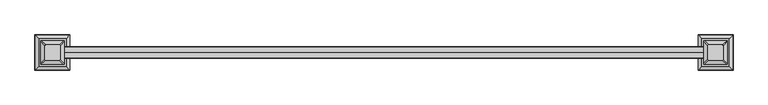
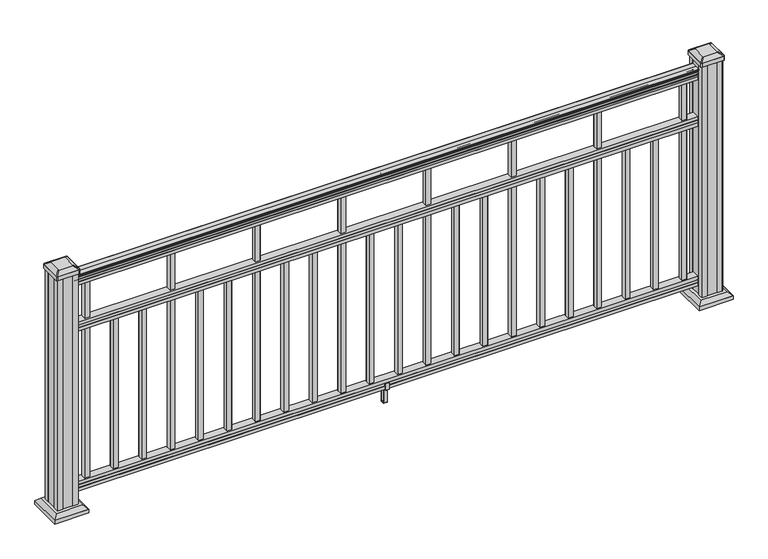
"""IFC4 building model written with IfcOpenShell, lengths in millimetres: railing geometry."""

import ifcopenshell
import ifcopenshell.guid

model = None  # the IFC model being written
_history = None  # IfcOwnerHistory: only IFC2X3 demands one
_inside = {}  # id of a spatial element -> (the spatial element, [elements in it])
_under = {}  # id of a project, library or spatial element -> (it, [spatial elements below it])
_declared = {}  # id of a project -> (the project, [libraries it declares])
_typed = {}  # id of a type object -> (the type object, [elements of that type])
_made_of = {}  # id of a material, layer set ... -> (it, [elements and type objects made of it])


def new_model(schema):
    """Start an empty IFC model of exactly this schema.

    Asked for "IFC4X3", IfcOpenShell would pick the latest addendum, in which some entities
    have other attributes; the version numbers below select the first issue.
    IFC2X3 requires an IfcOwnerHistory on every rooted entity: one is made here for all.
    """
    global model, _history
    if schema == "IFC4X3":
        model = ifcopenshell.file(schema_version=(4, 3, 0, 0))
    else:
        model = ifcopenshell.file(schema=schema)
    _inside.clear()
    _under.clear()
    _declared.clear()
    _typed.clear()
    _made_of.clear()
    _history = None
    if model.schema == "IFC2X3":
        org = make("IfcOrganization", Name="unknown")
        user = make(
            "IfcPersonAndOrganization",
            ThePerson=make("IfcPerson", FamilyName="unknown"),
            TheOrganization=org,
        )
        app = make(
            "IfcApplication",
            ApplicationDeveloper=org,
            Version="unknown",
            ApplicationFullName="unknown",
            ApplicationIdentifier="unknown",
        )
        _history = make(
            "IfcOwnerHistory",
            OwningUser=user,
            OwningApplication=app,
            ChangeAction="ADDED",
            CreationDate=0,
        )
    return model


def make(cls, **values):
    """One entity of the class cls with the attributes given. An attribute that is None is left unset."""
    return model.create_entity(
        cls, **{name: value for name, value in values.items() if value is not None}
    )


def rooted(cls, **values):
    """An entity with a GlobalId (a new one), such as an element, a storey or a relation."""
    return make(cls, GlobalId=ifcopenshell.guid.new(), OwnerHistory=_history, **values)


def si_unit(unit_type, name, prefix=None):
    """IfcSIUnit, for example si_unit("LENGTHUNIT", "METRE", prefix="MILLI")."""
    return make("IfcSIUnit", UnitType=unit_type, Prefix=prefix, Name=name)


def assignment(units):
    """IfcUnitAssignment: the units of a project."""
    return None if units is None else make("IfcUnitAssignment", Units=units)


def point(xyz):
    """IfcCartesianPoint."""
    return None if xyz is None else make("IfcCartesianPoint", Coordinates=xyz)


def direction(xyz):
    """IfcDirection."""
    return None if xyz is None else make("IfcDirection", DirectionRatios=xyz)


def frame(location, z_axis=None, x_axis=None):
    """IfcAxis2Placement3D, a coordinate frame: its origin and axes. An axis left out is left unset."""
    return make(
        "IfcAxis2Placement3D",
        Location=point(location),
        Axis=direction(z_axis),
        RefDirection=direction(x_axis),
    )


def frame_2d(location, x_axis=None):
    """IfcAxis2Placement2D, a coordinate frame in the plane: its origin and x axis."""
    return make(
        "IfcAxis2Placement2D", Location=point(location), RefDirection=direction(x_axis)
    )


def origin():
    """The frame at (0, 0, 0) with its axes left unset."""
    return frame((0.0, 0.0, 0.0))


def origin_with_axes():
    """The frame at (0, 0, 0) with the z axis (0, 0, 1) and the x axis (1, 0, 0) written out."""
    return frame((0.0, 0.0, 0.0), z_axis=(0.0, 0.0, 1.0), x_axis=(1.0, 0.0, 0.0))


def place(relative_to, where):
    """IfcLocalPlacement: puts the frame where relative to a parent placement (None: the world)."""
    return make(
        "IfcLocalPlacement", PlacementRelTo=relative_to, RelativePlacement=where
    )


def context(
    kind, dimensions, precision=None, world=None, true_north=None, identifier=None
):
    """IfcGeometricRepresentationContext, for example the 3D "Model" context."""
    return make(
        "IfcGeometricRepresentationContext",
        ContextIdentifier=identifier,
        ContextType=kind,
        CoordinateSpaceDimension=dimensions,
        Precision=precision,
        WorldCoordinateSystem=world,
        TrueNorth=true_north,
    )


def project(units=None, contexts=None):
    """IfcProject with its units and contexts."""
    return rooted(
        "IfcProject",
        Name="project",
        RepresentationContexts=contexts,
        UnitsInContext=assignment(units),
    )


def spatial(cls, under=None, at=None, **own):
    """A site, building, storey or space (cls), placed at a placement, below another one or the project."""
    s = rooted(cls, ObjectPlacement=at, **own)
    if under is not None:
        _under.setdefault(under.id(), (under, []))[1].append(s)
    return s


def polyline(points):
    """IfcPolyline through the points."""
    return make("IfcPolyline", Points=[point(p) for p in points])


def circle_curve(where, radius):
    """IfcCircle in the frame where."""
    return make("IfcCircle", Position=where, Radius=radius)


def trimmed(basis, trim1, trim2, sense, master):
    """IfcTrimmedCurve: the piece of a basis curve between two trims."""
    return make(
        "IfcTrimmedCurve",
        BasisCurve=basis,
        Trim1=trim1,
        Trim2=trim2,
        SenseAgreement=sense,
        MasterRepresentation=master,
    )


def segment(curve, same_sense, transition):
    """IfcCompositeCurveSegment."""
    return make(
        "IfcCompositeCurveSegment",
        Transition=transition,
        SameSense=same_sense,
        ParentCurve=curve,
    )


def composite_curve(segments, self_intersect=None):
    """IfcCompositeCurve: segments joined end to end."""
    return make("IfcCompositeCurve", Segments=segments, SelfIntersect=self_intersect)


def outline(outer, holes=None, kind="AREA"):
    """IfcArbitraryClosedProfileDef: a profile drawn as a closed curve; with holes, ...WithVoids."""
    if holes is None:
        return make("IfcArbitraryClosedProfileDef", ProfileType=kind, OuterCurve=outer)
    return make(
        "IfcArbitraryProfileDefWithVoids",
        ProfileType=kind,
        OuterCurve=outer,
        InnerCurves=holes,
    )


def extrude(swept, where, along, depth):
    """IfcExtrudedAreaSolid: the profile swept, set in the frame where, extruded along a direction by depth."""
    return make(
        "IfcExtrudedAreaSolid",
        SweptArea=swept,
        Position=where,
        ExtrudedDirection=direction(along),
        Depth=depth,
    )


def faces_of(points, faces, orient=None, outer=None):
    """IfcFace entities. A face is a list of loops; a loop is a list of indices into points, from 0.

    orient and outer hold one flag for each loop. By default every Orientation is true, the
    first loop of a face is its IfcFaceOuterBound and the others are IfcFaceBound.
    """
    made = []
    for i, loops in enumerate(faces):
        bounds = []
        for j, loop in enumerate(loops):
            is_outer = j == 0 if outer is None else outer[i][j]
            bounds.append(
                make(
                    "IfcFaceOuterBound" if is_outer else "IfcFaceBound",
                    Bound=make("IfcPolyLoop", Polygon=[points[k] for k in loop]),
                    Orientation=True if orient is None else orient[i][j],
                )
            )
        made.append(make("IfcFace", Bounds=bounds))
    return made


def faceted_brep(points, faces, orient=None, outer=None, voids=None):
    """IfcFacetedBrep: a solid bounded by flat faces; with voids (closed shells), ...WithVoids."""
    shared = [point(p) for p in points]
    hull = make("IfcClosedShell", CfsFaces=faces_of(shared, faces, orient, outer))
    if voids is None:
        return make("IfcFacetedBrep", Outer=hull)
    return make(
        "IfcFacetedBrepWithVoids",
        Outer=hull,
        Voids=[
            make(cls, CfsFaces=faces_of(shared, fs, o, b)) for cls, fs, o, b in voids
        ],
    )


def shape(context_of_items, identifier, shape_type, items):
    """IfcShapeRepresentation: the items that make up one representation, for example the "Body"."""
    return make(
        "IfcShapeRepresentation",
        ContextOfItems=context_of_items,
        RepresentationIdentifier=identifier,
        RepresentationType=shape_type,
        Items=items,
    )


def source(mapping_origin, context_of_items, identifier, shape_type, items):
    """IfcRepresentationMap: a shape defined once, which mapped items show again and again."""
    return make(
        "IfcRepresentationMap",
        MappingOrigin=mapping_origin,
        MappedRepresentation=shape(context_of_items, identifier, shape_type, items),
    )


def transform(
    local_origin,
    x_axis=None,
    y_axis=None,
    z_axis=None,
    scale=None,
    scale2=None,
    scale3=None,
    uniform=True,
):
    """IfcCartesianTransformationOperator3D, or its non-uniform kind. x_axis, y_axis, z_axis: its Axis1, 2, 3."""
    if uniform:
        return make(
            "IfcCartesianTransformationOperator3D",
            Axis1=direction(x_axis),
            Axis2=direction(y_axis),
            LocalOrigin=point(local_origin),
            Scale=scale,
            Axis3=direction(z_axis),
        )
    return make(
        "IfcCartesianTransformationOperator3DnonUniform",
        Axis1=direction(x_axis),
        Axis2=direction(y_axis),
        LocalOrigin=point(local_origin),
        Scale=scale,
        Axis3=direction(z_axis),
        Scale2=scale2,
        Scale3=scale3,
    )


def mapped(mapping_source, mapping_target):
    """IfcMappedItem: shows the shape of a source again, moved by a transform."""
    return make(
        "IfcMappedItem", MappingSource=mapping_source, MappingTarget=mapping_target
    )


def made_of(thing, what):
    """Note that an element or type object is made of a material, layer set ...; save() writes the relation."""
    if what is not None:
        _made_of.setdefault(what.id(), (what, []))[1].append(thing)
    return thing


def element(
    cls,
    number,
    at=None,
    inside=None,
    cuts=None,
    type_object=None,
    material=None,
    context=None,
    identifier="Body",
    shape_type=None,
    held_by="IfcProductDefinitionShape",
    body=None,
    shapes=None,
    **own,
):
    """One element of the class cls, such as IfcWall. Its Tag is "e" and its number.

    at: its placement. inside: the storey or other place that contains it. cuts: it is an
    opening in that element (IfcRelVoidsElement). A single representation is given by context,
    identifier, shape_type and body (its items); several are given by shapes. held_by: the class
    of the entity that holds the representations. save() writes the other relations.
    """
    e = rooted(cls, Tag="e%d" % number, ObjectPlacement=at, **own)
    if body is not None:
        shapes = [shape(context, identifier, shape_type, body)]
    if shapes is not None:
        e.Representation = make(held_by, Representations=shapes)
    if inside is not None:
        _inside.setdefault(inside.id(), (inside, []))[1].append(e)
    if cuts is not None:
        rooted(
            "IfcRelVoidsElement", RelatingBuildingElement=cuts, RelatedOpeningElement=e
        )
    if type_object is not None:
        _typed.setdefault(type_object.id(), (type_object, []))[1].append(e)
    return made_of(e, material)


def aggregate(whole, parts):
    """IfcRelAggregates: a whole, such as a stair, and the parts it consists of."""
    return rooted("IfcRelAggregates", RelatingObject=whole, RelatedObjects=parts)


def save(model, path):
    """Write the relations noted so far, then the file.

    IfcRelAggregates (storeys below a building ...), IfcRelContainedInSpatialStructure (elements
    in a storey), IfcRelDefinesByType, IfcRelAssociatesMaterial and IfcRelDeclares: one each for
    every whole, place, type object, material and project.
    """
    for whole, parts in _under.values():
        aggregate(whole, parts)
    for where, things in _inside.values():
        rooted(
            "IfcRelContainedInSpatialStructure",
            RelatedElements=things,
            RelatingStructure=where,
        )
    for kind, things in _typed.values():
        rooted("IfcRelDefinesByType", RelatedObjects=things, RelatingType=kind)
    for what, things in _made_of.values():
        rooted("IfcRelAssociatesMaterial", RelatedObjects=things, RelatingMaterial=what)
    for by, libraries in _declared.values():
        rooted("IfcRelDeclares", RelatingContext=by, RelatedDefinitions=libraries)
    model.write(path)


def plane_surface(at):
    """IfcPlane: the flat surface through the origin of the frame at, square to its z axis."""
    return make("IfcPlane", Position=at)


def cylinder_surface(at, radius):
    """IfcCylindricalSurface: all points at the distance radius from the z axis of the frame at."""
    return make("IfcCylindricalSurface", Position=at, Radius=radius)


def revolved_surface(curve, axis_point, axis_direction):
    """IfcSurfaceOfRevolution: the curve turned about the line through axis_point along axis_direction."""
    return make(
        "IfcSurfaceOfRevolution",
        SweptCurve=make("IfcArbitraryOpenProfileDef", ProfileType="CURVE", Curve=curve),
        AxisPosition=make("IfcAxis1Placement", Location=point(axis_point), Axis=direction(axis_direction)),
    )


def extruded_surface(curve, direction_of_extrusion, depth):
    """IfcSurfaceOfLinearExtrusion: the curve pushed along a direction by depth."""
    return make(
        "IfcSurfaceOfLinearExtrusion",
        SweptCurve=make("IfcArbitraryOpenProfileDef", ProfileType="CURVE", Curve=curve),
        ExtrudedDirection=direction(direction_of_extrusion),
        Depth=depth,
    )


def advanced_brep(points, edges, surfaces, faces):
    """IfcAdvancedBrep: a solid bounded by faces that lie on surfaces and meet in shared edges.

    An edge is (start, end): straight between two places in points (the first is 0);
    or (start, end, curve); or (start, end, curve, False) where it runs against its curve.
    A face is (place in surfaces, loops), or (place, loops, False) where it looks against
    its surface's normal. A loop lists edges by number (the first is 1), with a minus sign
    where the edge is run from its end to its start. The first loop is the outer one.
    """
    corners = [point(p) for p in points]
    vertices = [make("IfcVertexPoint", VertexGeometry=c) for c in corners]
    made = []
    for start, end, *more in edges:
        made.append(
            make(
                "IfcEdgeCurve",
                EdgeStart=vertices[start],
                EdgeEnd=vertices[end],
                EdgeGeometry=more[0] if more else make("IfcPolyline", Points=[corners[start], corners[end]]),
                SameSense=more[1] if len(more) > 1 else True,
            )
        )
    hull = []
    for where, loops, *sense in faces:
        bounds = []
        for j, loop in enumerate(loops):
            ring = [make("IfcOrientedEdge", EdgeElement=made[abs(k) - 1], Orientation=k > 0) for k in loop]
            bounds.append(
                make(
                    "IfcFaceOuterBound" if j == 0 else "IfcFaceBound",
                    Bound=make("IfcEdgeLoop", EdgeList=ring),
                    Orientation=True,
                )
            )
        hull.append(make("IfcAdvancedFace", Bounds=bounds, FaceSurface=surfaces[where], SameSense=sense[0] if sense else True))
    return make("IfcAdvancedBrep", Outer=make("IfcClosedShell", CfsFaces=hull))


def railing_87739715(model_context):
    return source(origin(), model_context, "Body", "SolidModel", [
        advanced_brep(
        [(21034.7674585, 7798.6627252, 938.4043297), (21034.7674585, 7798.6627252, 940.292412), (21034.7674585, 7797.5325389, 941.8546695), (21034.7674585, 7797.5325389, 949.0726458), (21034.7674585, 7798.1817953, 951.5060812), (21034.7674585, 7795.6817953, 955.8362083), (21034.7674585, 7794.2724529, 957.5157972), (21034.7674585, 7793.8705539, 958.6205318), (21034.7674585, 7793.8705539, 959.9608158), (21034.7674585, 7795.4240012, 961.514263), (21034.7674585, 7816.0955539, 961.514263), (21034.7674585, 7836.7671067, 961.514263), (21034.7674585, 7838.3205539, 959.9608158), (21034.7674585, 7838.3205539, 958.6205318), (21034.7674585, 7837.918655, 957.5157972), (21034.7674585, 7836.5093126, 955.8362083), (21034.7674585, 7834.0093126, 951.5060812), (21034.7674585, 7834.658569, 949.0726458), (21034.7674585, 7834.658569, 941.8546695), (21034.7674585, 7833.5283827, 940.292412), (21034.7674585, 7833.5283827, 938.4043297), (21034.7674585, 7830.9545539, 938.4043297), (21034.7674585, 7830.9545539, 927.9048283), (21034.7674585, 7831.9705539, 926.8888283), (21034.7674585, 7831.9705539, 914.4), (21034.7674585, 7800.2205539, 914.4), (21034.7674585, 7800.2205539, 926.731013), (21034.7674585, 7801.2365539, 927.747013), (21034.7674585, 7801.2365539, 938.4043297), (23473.1674585, 7798.6627252, 938.4043297), (23473.1674585, 7801.2365539, 938.4043297), (23473.1674585, 7801.2365539, 927.747013), (23473.1674585, 7800.2205539, 926.731013), (23473.1674585, 7800.2205539, 914.4), (23473.1674585, 7831.9705539, 914.4), (23473.1674585, 7831.9705539, 926.8888283), (23473.1674585, 7830.9545539, 927.9048283), (23473.1674585, 7830.9545539, 938.4043297), (23473.1674585, 7833.5283827, 938.4043297), (23473.1674585, 7833.5283827, 940.292412), (23473.1674585, 7834.658569, 941.8546695), (23473.1674585, 7834.658569, 949.0726458), (23473.1674585, 7834.0093126, 951.5060812), (23473.1674585, 7836.5093126, 955.8362083), (23473.1674585, 7837.918655, 957.5157972), (23473.1674585, 7838.320554, 958.6205318), (23473.1674585, 7838.3205539, 959.9608158), (23473.1674585, 7836.7671067, 961.514263), (23473.1674585, 7816.0955539, 961.514263), (23473.1674585, 7795.4240012, 961.514263), (23473.1674585, 7793.8705539, 959.9608158), (23473.1674585, 7793.8705539, 958.6205318), (23473.1674585, 7794.2724529, 957.5157972), (23473.1674585, 7795.6817953, 955.8362083), (23473.1674585, 7798.1817953, 951.5060812), (23473.1674585, 7797.5325389, 949.0726458), (23473.1674585, 7797.5325389, 941.8546695), (23473.1674585, 7798.6627252, 940.292412)],
        [
            (0, 1),
            (1, 2, circle_curve(frame((21034.7674585, 7804.9774785, 946.0506383), z_axis=(-1.0, 0.0, 0.0), x_axis=(0.0, 1.0, 0.0)), 8.545951)),
            (2, 3, circle_curve(frame((21034.7674585, 7804.5404155, 945.4636577), z_axis=(-1.0, 0.0, 0.0), x_axis=(0.0, 1.0, 0.0)), 7.882584)),
            (3, 4, circle_curve(frame((21034.7674585, 7794.0270914, 951.3112527), z_axis=(1.0, 0.0, 0.0), x_axis=(0.0, 1.0, 0.0)), 4.1592695)),
            (4, 5, circle_curve(frame((21034.7674585, 7792.7397848, 951.2508864), z_axis=(1.0, 0.0, 0.0), x_axis=(0.0, 1.0, 0.0)), 5.4479907)),
            (5, 6, circle_curve(frame((21034.7674585, 7793.9729433, 955.833395), z_axis=(1.0, 0.0, 0.0), x_axis=(0.0, 1.0, 0.0)), 1.7088543)),
            (6, 7, circle_curve(frame((21034.7674585, 7795.5898434, 958.6205318), z_axis=(-1.0, 0.0, 0.0), x_axis=(0.0, 1.0, 0.0)), 1.7192895)),
            (7, 8),
            (8, 9, circle_curve(frame((21034.7674585, 7795.4240012, 959.9608158), z_axis=(-1.0, 0.0, 0.0), x_axis=(0.0, 1.0, 0.0)), 1.5534472)),
            (9, 10),
            (10, 11),
            (11, 12, circle_curve(frame((21034.7674585, 7836.7671067, 959.9608158), z_axis=(-1.0, 0.0, 0.0), x_axis=(0.0, -1.0, 0.0)), 1.5534472)),
            (12, 13),
            (13, 14, circle_curve(frame((21034.7674585, 7836.6012645, 958.6205318), z_axis=(-1.0, 0.0, 0.0), x_axis=(0.0, -1.0, 0.0)), 1.7192895)),
            (14, 15, circle_curve(frame((21034.7674585, 7838.2181646, 955.833395), z_axis=(1.0, 0.0, 0.0), x_axis=(0.0, -1.0, 0.0)), 1.7088543)),
            (15, 16, circle_curve(frame((21034.7674585, 7839.451323, 951.2508864), z_axis=(1.0, 0.0, 0.0), x_axis=(0.0, -1.0, 0.0)), 5.4479907)),
            (16, 17, circle_curve(frame((21034.7674585, 7838.1640165, 951.3112527), z_axis=(1.0, 0.0, 0.0), x_axis=(0.0, -1.0, 0.0)), 4.1592695)),
            (17, 18, circle_curve(frame((21034.7674585, 7827.6506924, 945.4636577), z_axis=(-1.0, 0.0, 0.0), x_axis=(0.0, -1.0, 0.0)), 7.882584)),
            (18, 19, circle_curve(frame((21034.7674585, 7827.2136294, 946.0506383), z_axis=(-1.0, 0.0, 0.0), x_axis=(0.0, -1.0, 0.0)), 8.545951)),
            (19, 20),
            (20, 21, circle_curve(frame((21034.7674585, 7832.2414683, 938.4043297), z_axis=(-1.0, 0.0, 0.0), x_axis=(0.0, -1.0, 0.0)), 1.2869144)),
            (21, 22),
            (22, 23),
            (23, 24),
            (24, 25),
            (25, 26),
            (26, 27),
            (27, 28),
            (28, 0, circle_curve(frame((21034.7674585, 7799.9496396, 938.4043297), z_axis=(-1.0, 0.0, 0.0), x_axis=(0.0, 1.0, 0.0)), 1.2869144)),
            (29, 30, circle_curve(frame((23473.1674585, 7799.9496396, 938.4043297), z_axis=(1.0, 0.0, 0.0), x_axis=(0.0, 1.0, 0.0)), 1.2869144)),
            (30, 31),
            (31, 32),
            (32, 33),
            (33, 34),
            (34, 35),
            (35, 36),
            (36, 37),
            (37, 38, circle_curve(frame((23473.1674585, 7832.2414683, 938.4043297), z_axis=(1.0, 0.0, 0.0), x_axis=(0.0, -1.0, 0.0)), 1.2869144)),
            (38, 39),
            (39, 40, circle_curve(frame((23473.1674585, 7827.2136294, 946.0506383), z_axis=(1.0, 0.0, 0.0), x_axis=(0.0, -1.0, 0.0)), 8.545951)),
            (40, 41, circle_curve(frame((23473.1674585, 7827.6506924, 945.4636577), z_axis=(1.0, 0.0, 0.0), x_axis=(0.0, -1.0, 0.0)), 7.882584)),
            (41, 42, circle_curve(frame((23473.1674585, 7838.1640165, 951.3112527), z_axis=(-1.0, 0.0, 0.0), x_axis=(0.0, -1.0, 0.0)), 4.1592695)),
            (42, 43, circle_curve(frame((23473.1674585, 7839.451323, 951.2508864), z_axis=(-1.0, 0.0, 0.0), x_axis=(0.0, -1.0, 0.0)), 5.4479907)),
            (43, 44, circle_curve(frame((23473.1674585, 7838.2181646, 955.833395), z_axis=(-1.0, 0.0, 0.0), x_axis=(0.0, -1.0, 0.0)), 1.7088543)),
            (44, 45, circle_curve(frame((23473.1674585, 7836.6012645, 958.6205318), z_axis=(1.0, 0.0, 0.0), x_axis=(0.0, -1.0, 0.0)), 1.7192895)),
            (45, 46),
            (46, 47, circle_curve(frame((23473.1674585, 7836.7671067, 959.9608158), z_axis=(1.0, 0.0, 0.0), x_axis=(0.0, -1.0, 0.0)), 1.5534472)),
            (47, 48),
            (48, 49),
            (49, 50, circle_curve(frame((23473.1674585, 7795.4240012, 959.9608158), z_axis=(1.0, 0.0, 0.0), x_axis=(0.0, 1.0, 0.0)), 1.5534472)),
            (50, 51),
            (51, 52, circle_curve(frame((23473.1674585, 7795.5898434, 958.6205318), z_axis=(1.0, 0.0, 0.0), x_axis=(0.0, 1.0, 0.0)), 1.7192895)),
            (52, 53, circle_curve(frame((23473.1674585, 7793.9729433, 955.833395), z_axis=(-1.0, 0.0, 0.0), x_axis=(0.0, 1.0, 0.0)), 1.7088543)),
            (53, 54, circle_curve(frame((23473.1674585, 7792.7397848, 951.2508864), z_axis=(-1.0, 0.0, 0.0), x_axis=(0.0, 1.0, 0.0)), 5.4479907)),
            (54, 55, circle_curve(frame((23473.1674585, 7794.0270914, 951.3112527), z_axis=(-1.0, 0.0, 0.0), x_axis=(0.0, 1.0, 0.0)), 4.1592695)),
            (55, 56, circle_curve(frame((23473.1674585, 7804.5404155, 945.4636577), z_axis=(1.0, 0.0, 0.0), x_axis=(0.0, 1.0, 0.0)), 7.882584)),
            (56, 57, circle_curve(frame((23473.1674585, 7804.9774785, 946.0506383), z_axis=(1.0, 0.0, 0.0), x_axis=(0.0, 1.0, 0.0)), 8.545951)),
            (57, 29),
            (28, 30),
            (29, 0),
            (27, 31),
            (26, 32),
            (25, 33),
            (24, 34),
            (23, 35),
            (22, 36),
            (21, 37),
            (20, 38),
            (19, 39),
            (18, 40),
            (17, 41),
            (16, 42),
            (15, 43),
            (14, 44),
            (13, 45),
            (12, 46),
            (11, 47),
            (10, 48),
            (9, 49),
            (8, 50),
            (7, 51),
            (6, 52),
            (5, 53),
            (4, 54),
            (3, 55),
            (2, 56),
            (1, 57),
        ],
        [
            plane_surface(frame((21034.7674585, 7816.0955539, 914.4), z_axis=(-1.0, 0.0, 0.0), x_axis=(0.0, 1.0, 0.0))),
            plane_surface(frame((23473.1674585, 7816.0955539, 914.4), z_axis=(1.0, 0.0, 0.0), x_axis=(0.0, 1.0, 0.0))),
            cylinder_surface(frame((21034.7674585, 7799.9496396, 938.4043297), z_axis=(-1.0, 0.0, 0.0), x_axis=(0.0, 1.0, 0.0)), 1.2869144),
            plane_surface(frame((21034.7674585, 7801.2365539, 927.747013), z_axis=(0.0, -1.0, 0.0), x_axis=(1.0, 0.0, 0.0))),
            plane_surface(frame((21034.7674585, 7800.2205539, 926.731013), z_axis=(0.0, -0.7071067811865395, 0.7071067811865556), x_axis=(1.0, 0.0, 0.0))),
            plane_surface(frame((21034.7674585, 7800.2205539, 914.4), z_axis=(0.0, -1.0, 0.0), x_axis=(1.0, 0.0, 0.0))),
            plane_surface(frame((21034.7674585, 7831.9705539, 914.4), z_axis=(0.0, 0.0, -1.0), x_axis=(1.0, 0.0, 0.0))),
            plane_surface(frame((21034.7674585, 7831.9705539, 926.8888283), z_axis=(0.0, 1.0, 0.0), x_axis=(1.0, 0.0, 0.0))),
            plane_surface(frame((21034.7674585, 7830.9545539, 927.9048283), z_axis=(0.0, 0.7071067811865432, 0.707106781186552), x_axis=(1.0, 0.0, 0.0))),
            plane_surface(frame((21034.7674585, 7830.9545539, 938.4043297), z_axis=(0.0, 1.0, 0.0), x_axis=(1.0, 0.0, 0.0))),
            cylinder_surface(frame((21034.7674585, 7832.2414683, 938.4043297), z_axis=(-1.0, 0.0, 0.0), x_axis=(0.0, -1.0, 0.0)), 1.2869144),
            plane_surface(frame((21034.7674585, 7833.5283827, 940.292412), z_axis=(0.0, 1.0, 0.0), x_axis=(1.0, 0.0, 0.0))),
            cylinder_surface(frame((21034.7674585, 7827.2136294, 946.0506383), z_axis=(-1.0, 0.0, 0.0), x_axis=(0.0, -1.0, 0.0)), 8.545951),
            cylinder_surface(frame((21034.7674585, 7827.6506924, 945.4636577), z_axis=(-1.0, 0.0, 0.0), x_axis=(0.0, -1.0, 0.0)), 7.882584),
            revolved_surface(polyline([(23473.1674585, 7834.004747, 951.3112527), (21034.7674585, 7834.004747, 951.3112527)]), (21034.7674585, 7838.1640165, 951.3112527), (1.0, 0.0, 0.0)),
            revolved_surface(polyline([(23473.1674585, 7834.0033323, 951.2508864), (21034.7674585, 7834.0033323, 951.2508864)]), (21034.7674585, 7839.451323, 951.2508864), (1.0, 0.0, 0.0)),
            revolved_surface(polyline([(23473.1674585, 7836.5093103, 955.833395), (21034.7674585, 7836.5093103, 955.833395)]), (21034.7674585, 7838.2181646, 955.833395), (1.0, 0.0, 0.0)),
            cylinder_surface(frame((21034.7674585, 7836.6012645, 958.6205318), z_axis=(-1.0, 0.0, 0.0), x_axis=(0.0, -1.0, 0.0)), 1.7192895),
            plane_surface(frame((21034.7674585, 7838.3205539, 959.9608158), z_axis=(0.0, 1.0, 0.0), x_axis=(1.0, 0.0, 0.0))),
            cylinder_surface(frame((21034.7674585, 7836.7671067, 959.9608158), z_axis=(-1.0, 0.0, 0.0), x_axis=(0.0, -1.0, 0.0)), 1.5534472),
            plane_surface(frame((21034.7674585, 7816.0955539, 961.514263), z_axis=(0.0, 0.0, 1.0), x_axis=(1.0, 0.0, 0.0))),
            plane_surface(frame((21034.7674585, 7795.4240012, 961.514263), z_axis=(0.0, 0.0, 1.0), x_axis=(1.0, 0.0, 0.0))),
            cylinder_surface(frame((21034.7674585, 7795.4240012, 959.9608158), z_axis=(-1.0, 0.0, 0.0), x_axis=(0.0, 1.0, 0.0)), 1.5534472),
            plane_surface(frame((21034.7674585, 7793.8705539, 958.6205318), z_axis=(0.0, -1.0, 0.0), x_axis=(1.0, 0.0, 0.0))),
            cylinder_surface(frame((21034.7674585, 7795.5898434, 958.6205318), z_axis=(-1.0, 0.0, 0.0), x_axis=(0.0, 1.0, 0.0)), 1.7192895),
            revolved_surface(polyline([(23473.1674585, 7795.6817976, 955.833395), (21034.7674585, 7795.6817976, 955.833395)]), (21034.7674585, 7793.9729433, 955.833395), (1.0, 0.0, 0.0)),
            revolved_surface(polyline([(23473.1674585, 7798.1877755000005, 951.2508864), (21034.7674585, 7798.1877755000005, 951.2508864)]), (21034.7674585, 7792.7397848, 951.2508864), (1.0, 0.0, 0.0)),
            revolved_surface(polyline([(23473.1674585, 7798.1863609, 951.3112527), (21034.7674585, 7798.1863609, 951.3112527)]), (21034.7674585, 7794.0270914, 951.3112527), (1.0, 0.0, 0.0)),
            cylinder_surface(frame((21034.7674585, 7804.5404155, 945.4636577), z_axis=(-1.0, 0.0, 0.0), x_axis=(0.0, 1.0, 0.0)), 7.882584),
            cylinder_surface(frame((21034.7674585, 7804.9774785, 946.0506383), z_axis=(-1.0, 0.0, 0.0), x_axis=(0.0, 1.0, 0.0)), 8.545951),
            plane_surface(frame((21034.7674585, 7798.6627252, 938.4043297), z_axis=(0.0, -1.0, 0.0), x_axis=(1.0, 0.0, 0.0))),
        ],
        [
            (0, [[1, 2, 3, 4, 5, 6, 7, 8, 9, 10, 11, 12, 13, 14, 15, 16, 17, 18, 19, 20, 21, 22, 23, 24, 25, 26, 27, 28, 29]]),
            (1, [[30, 31, 32, 33, 34, 35, 36, 37, 38, 39, 40, 41, 42, 43, 44, 45, 46, 47, 48, 49, 50, 51, 52, 53, 54, 55, 56, 57, 58]]),
            (2, [[-29, 59, -30, 60]]),
            (3, [[-28, 61, -31, -59]]),
            (4, [[-27, 62, -32, -61]]),
            (5, [[-26, 63, -33, -62]]),
            (6, [[-25, 64, -34, -63]]),
            (7, [[-24, 65, -35, -64]]),
            (8, [[-23, 66, -36, -65]]),
            (9, [[-22, 67, -37, -66]]),
            (10, [[-21, 68, -38, -67]]),
            (11, [[-20, 69, -39, -68]]),
            (12, [[-19, 70, -40, -69]]),
            (13, [[-18, 71, -41, -70]]),
            (14, [[-17, 72, -42, -71]]),
            (15, [[-16, 73, -43, -72]]),
            (16, [[-15, 74, -44, -73]]),
            (17, [[-14, 75, -45, -74]]),
            (18, [[-13, 76, -46, -75]]),
            (19, [[-12, 77, -47, -76]]),
            (20, [[-11, 78, -48, -77]]),
            (21, [[-10, 79, -49, -78]]),
            (22, [[-9, 80, -50, -79]]),
            (23, [[-8, 81, -51, -80]]),
            (24, [[-7, 82, -52, -81]]),
            (25, [[-6, 83, -53, -82]]),
            (26, [[-5, 84, -54, -83]]),
            (27, [[-4, 85, -55, -84]]),
            (28, [[-3, 86, -56, -85]]),
            (29, [[-2, 87, -57, -86]]),
            (30, [[-1, -60, -58, -87]]),
        ],
    ),
        faceted_brep([(21034.7674585, 7800.183067, 736.4541976), (21034.7674585, 7801.199067, 737.7546183), (21034.7674585, 7801.199067, 748.1141717), (21034.7674585, 7800.183067, 749.4624492), (21034.7674585, 7800.183067, 761.9958781), (21034.7674585, 7831.933067, 761.9958781), (21034.7674585, 7831.933067, 749.4458024), (21034.7674585, 7830.917067, 748.0975248), (21034.7674585, 7830.917067, 737.7858283), (21034.7674585, 7831.933067, 736.4375508), (21034.7674585, 7831.933067, 723.9), (21034.7674585, 7800.183067, 723.9), (23473.1674585, 7800.183067, 736.4541976), (23473.1674585, 7800.183067, 723.9), (23473.1674585, 7831.933067, 723.9), (23473.1674585, 7831.933067, 736.4375508), (23473.1674585, 7830.917067, 737.7858283), (23473.1674585, 7830.917067, 748.0975248), (23473.1674585, 7831.933067, 749.4458024), (23473.1674585, 7831.933067, 761.9958781), (23473.1674585, 7800.183067, 761.9958781), (23473.1674585, 7800.183067, 749.4624492), (23473.1674585, 7801.199067, 748.1141717), (23473.1674585, 7801.199067, 737.7546183)], [[[0, 1, 2, 3, 4, 5, 6, 7, 8, 9, 10, 11]], [[12, 13, 14, 15, 16, 17, 18, 19, 20, 21, 22, 23]], [[0, 11, 13, 12]], [[11, 10, 14, 13]], [[10, 9, 15, 14]], [[9, 8, 16, 15]], [[8, 7, 17, 16]], [[7, 6, 18, 17]], [[6, 5, 19, 18]], [[5, 4, 20, 19]], [[4, 3, 21, 20]], [[3, 2, 22, 21]], [[2, 1, 23, 22]], [[1, 0, 12, 23]]]),
        faceted_brep([(21034.7674585, 7800.183067, 76.0541976), (21034.7674585, 7801.199067, 77.3546183), (21034.7674585, 7801.199067, 87.7141717), (21034.7674585, 7800.183067, 89.0624492), (21034.7674585, 7800.183067, 101.5958781), (21034.7674585, 7831.933067, 101.5958781), (21034.7674585, 7831.933067, 89.0458024), (21034.7674585, 7830.917067, 87.6975248), (21034.7674585, 7830.917067, 77.3858283), (21034.7674585, 7831.933067, 76.0375508), (21034.7674585, 7831.933067, 63.5), (21034.7674585, 7800.183067, 63.5), (23473.1674585, 7800.183067, 76.0541976), (23473.1674585, 7800.183067, 63.5), (23473.1674585, 7831.933067, 63.5), (23473.1674585, 7831.933067, 76.0375508), (23473.1674585, 7830.917067, 77.3858283), (23473.1674585, 7830.917067, 87.6975248), (23473.1674585, 7831.933067, 89.0458024), (23473.1674585, 7831.933067, 101.5958781), (23473.1674585, 7800.183067, 101.5958781), (23473.1674585, 7800.183067, 89.0624492), (23473.1674585, 7801.199067, 87.7141717), (23473.1674585, 7801.199067, 77.3546183)], [[[0, 1, 2, 3, 4, 5, 6, 7, 8, 9, 10, 11]], [[12, 13, 14, 15, 16, 17, 18, 19, 20, 21, 22, 23]], [[2, 1, 23, 22]], [[4, 3, 21, 20]], [[6, 5, 19, 18]], [[0, 11, 13, 12]], [[1, 0, 12, 23]], [[3, 2, 22, 21]], [[5, 4, 20, 19]], [[7, 6, 18, 17]], [[8, 7, 17, 16]], [[9, 8, 16, 15]], [[10, 9, 15, 14]], [[11, 10, 14, 13]]]),
        extrude(outline(polyline([(23413.8584585, 7806.5705539), (23413.8584585, 7825.6205539), (23432.9084585, 7825.6205539), (23432.9084585, 7806.5705539), (23413.8584585, 7806.5705539)]), holes=[polyline([(23414.2553335, 7806.9674289), (23432.5115835, 7806.9674289), (23432.5115835, 7825.2236789), (23414.2553335, 7825.2236789), (23414.2553335, 7806.9674289)])]), frame((0.0, 0.0, 101.5958781), z_axis=(0.0, 0.0, 1.0), x_axis=(1.0, 0.0, 0.0)), (0.0, 0.0, 1.0), 812.8041219),
        extrude(outline(polyline([(23302.6064585, 7806.5705539), (23302.6064585, 7825.6205539), (23321.6564585, 7825.6205539), (23321.6564585, 7806.5705539), (23302.6064585, 7806.5705539)]), holes=[polyline([(23303.0033335, 7806.9674289), (23321.2595835, 7806.9674289), (23321.2595835, 7825.2236789), (23303.0033335, 7825.2236789), (23303.0033335, 7806.9674289)])]), frame((0.0, 0.0, 101.5958781), z_axis=(0.0, 0.0, 1.0), x_axis=(1.0, 0.0, 0.0)), (0.0, 0.0, 1.0), 622.3041219),
        extrude(outline(polyline([(23191.3544585, 7806.5705539), (23191.3544585, 7825.6205539), (23210.4044585, 7825.6205539), (23210.4044585, 7806.5705539), (23191.3544585, 7806.5705539)]), holes=[polyline([(23191.7513335, 7806.9674289), (23210.0075835, 7806.9674289), (23210.0075835, 7825.2236789), (23191.7513335, 7825.2236789), (23191.7513335, 7806.9674289)])]), frame((0.0, 0.0, 101.5958781), z_axis=(0.0, 0.0, 1.0), x_axis=(1.0, 0.0, 0.0)), (0.0, 0.0, 1.0), 622.3041219),
        extrude(outline(polyline([(23080.1024585, 7806.5705539), (23080.1024585, 7825.6205539), (23099.1524585, 7825.6205539), (23099.1524585, 7806.5705539), (23080.1024585, 7806.5705539)]), holes=[polyline([(23080.4993335, 7806.9674289), (23098.7555835, 7806.9674289), (23098.7555835, 7825.2236789), (23080.4993335, 7825.2236789), (23080.4993335, 7806.9674289)])]), frame((0.0, 0.0, 101.5958781), z_axis=(0.0, 0.0, 1.0), x_axis=(1.0, 0.0, 0.0)), (0.0, 0.0, 1.0), 812.8041219),
        extrude(outline(polyline([(22968.8504585, 7806.5705539), (22968.8504585, 7825.6205539), (22987.9004585, 7825.6205539), (22987.9004585, 7806.5705539), (22968.8504585, 7806.5705539)]), holes=[polyline([(22969.2473335, 7806.9674289), (22987.5035835, 7806.9674289), (22987.5035835, 7825.2236789), (22969.2473335, 7825.2236789), (22969.2473335, 7806.9674289)])]), frame((0.0, 0.0, 101.5958781), z_axis=(0.0, 0.0, 1.0), x_axis=(1.0, 0.0, 0.0)), (0.0, 0.0, 1.0), 622.3041219),
        extrude(outline(polyline([(22857.5984585, 7806.5705539), (22857.5984585, 7825.6205539), (22876.6484585, 7825.6205539), (22876.6484585, 7806.5705539), (22857.5984585, 7806.5705539)]), holes=[polyline([(22857.9953335, 7806.9674289), (22876.2515835, 7806.9674289), (22876.2515835, 7825.2236789), (22857.9953335, 7825.2236789), (22857.9953335, 7806.9674289)])]), frame((0.0, 0.0, 101.5958781), z_axis=(0.0, 0.0, 1.0), x_axis=(1.0, 0.0, 0.0)), (0.0, 0.0, 1.0), 622.3041219),
        extrude(outline(polyline([(22746.3464585, 7806.5705539), (22746.3464585, 7825.6205539), (22765.3964585, 7825.6205539), (22765.3964585, 7806.5705539), (22746.3464585, 7806.5705539)]), holes=[polyline([(22746.7433335, 7806.9674289), (22764.9995835, 7806.9674289), (22764.9995835, 7825.2236789), (22746.7433335, 7825.2236789), (22746.7433335, 7806.9674289)])]), frame((0.0, 0.0, 101.5958781), z_axis=(0.0, 0.0, 1.0), x_axis=(1.0, 0.0, 0.0)), (0.0, 0.0, 1.0), 812.8041219),
        extrude(outline(polyline([(22635.0944585, 7806.5705539), (22635.0944585, 7825.6205539), (22654.1444585, 7825.6205539), (22654.1444585, 7806.5705539), (22635.0944585, 7806.5705539)]), holes=[polyline([(22635.4913335, 7806.9674289), (22653.7475835, 7806.9674289), (22653.7475835, 7825.2236789), (22635.4913335, 7825.2236789), (22635.4913335, 7806.9674289)])]), frame((0.0, 0.0, 101.5958781), z_axis=(0.0, 0.0, 1.0), x_axis=(1.0, 0.0, 0.0)), (0.0, 0.0, 1.0), 622.3041219),
        extrude(outline(polyline([(22523.8424585, 7806.5705539), (22523.8424585, 7825.6205539), (22542.8924585, 7825.6205539), (22542.8924585, 7806.5705539), (22523.8424585, 7806.5705539)]), holes=[polyline([(22524.2393335, 7806.9674289), (22542.4955835, 7806.9674289), (22542.4955835, 7825.2236789), (22524.2393335, 7825.2236789), (22524.2393335, 7806.9674289)])]), frame((0.0, 0.0, 101.5958781), z_axis=(0.0, 0.0, 1.0), x_axis=(1.0, 0.0, 0.0)), (0.0, 0.0, 1.0), 622.3041219),
        extrude(outline(polyline([(22412.5904585, 7806.5705539), (22412.5904585, 7825.6205539), (22431.6404585, 7825.6205539), (22431.6404585, 7806.5705539), (22412.5904585, 7806.5705539)]), holes=[polyline([(22412.9873335, 7806.9674289), (22431.2435835, 7806.9674289), (22431.2435835, 7825.2236789), (22412.9873335, 7825.2236789), (22412.9873335, 7806.9674289)])]), frame((0.0, 0.0, 101.5958781), z_axis=(0.0, 0.0, 1.0), x_axis=(1.0, 0.0, 0.0)), (0.0, 0.0, 1.0), 812.8041219),
        extrude(outline(polyline([(22301.3384585, 7806.5705539), (22301.3384585, 7825.6205539), (22320.3884585, 7825.6205539), (22320.3884585, 7806.5705539), (22301.3384585, 7806.5705539)]), holes=[polyline([(22301.7353335, 7806.9674289), (22319.9915835, 7806.9674289), (22319.9915835, 7825.2236789), (22301.7353335, 7825.2236789), (22301.7353335, 7806.9674289)])]), frame((0.0, 0.0, 101.5958781), z_axis=(0.0, 0.0, 1.0), x_axis=(1.0, 0.0, 0.0)), (0.0, 0.0, 1.0), 622.3041219),
        extrude(outline(polyline([(7834.2565528, 88.7203979), (7835.0185538, 87.9583969), (7835.0185538, 61.4680023), (7834.2565528, 60.7060013), (7824.2235537, 60.7060013), (7823.4615536, 59.9440012), (7823.4615536, 0.7620001), (7822.6995536, 0.0), (7809.4915543, 0.0), (7808.7295533, 0.762001), (7808.7295533, 59.9440012), (7807.9675532, 60.7060013), (7797.9345542, 60.7060013), (7797.1725531, 61.4680023), (7797.1725531, 87.9583969), (7797.9345542, 88.7203979), (7799.9665538, 88.7203979), (7800.9825535, 87.7043953), (7800.9825535, 77.2686081), (7799.9665538, 76.2526073), (7799.9665538, 64.262001), (7800.7285529, 63.5000019), (7831.462554, 63.5000019), (7832.2245532, 64.262001), (7832.2245532, 76.2526073), (7831.2085534, 77.2686081), (7831.2085534, 87.7043953), (7832.2245532, 88.7203979), (7834.2565528, 88.7203979)]), holes=[polyline([(7812.6665536, 60.7060013), (7811.9045535, 59.9440012), (7811.9045535, 3.9370031), (7812.6665536, 3.1750031), (7819.5245562, 3.1750031), (7820.2865534, 3.9370003), (7820.2865534, 59.9440012), (7819.5245534, 60.7060013), (7812.6665536, 60.7060013)])]), frame((22247.8714585, 0.0, 0.0), z_axis=(1.0, 0.0, 0.0), x_axis=(0.0, 1.0, 0.0)), (0.0, 0.0, 1.0), 14.732),
        extrude(outline(polyline([(22190.0864585, 7806.5705539), (22190.0864585, 7825.6205539), (22209.1364585, 7825.6205539), (22209.1364585, 7806.5705539), (22190.0864585, 7806.5705539)]), holes=[polyline([(22190.4833335, 7806.9674289), (22208.7395835, 7806.9674289), (22208.7395835, 7825.2236789), (22190.4833335, 7825.2236789), (22190.4833335, 7806.9674289)])]), frame((0.0, 0.0, 101.5958781), z_axis=(0.0, 0.0, 1.0), x_axis=(1.0, 0.0, 0.0)), (0.0, 0.0, 1.0), 622.3041219),
        extrude(outline(polyline([(22078.8344585, 7806.5705539), (22078.8344585, 7825.6205539), (22097.8844585, 7825.6205539), (22097.8844585, 7806.5705539), (22078.8344585, 7806.5705539)]), holes=[polyline([(22079.2313335, 7806.9674289), (22097.4875835, 7806.9674289), (22097.4875835, 7825.2236789), (22079.2313335, 7825.2236789), (22079.2313335, 7806.9674289)])]), frame((0.0, 0.0, 101.5958781), z_axis=(0.0, 0.0, 1.0), x_axis=(1.0, 0.0, 0.0)), (0.0, 0.0, 1.0), 812.8041219),
        extrude(outline(polyline([(21967.5824585, 7806.5705539), (21967.5824585, 7825.6205539), (21986.6324585, 7825.6205539), (21986.6324585, 7806.5705539), (21967.5824585, 7806.5705539)]), holes=[polyline([(21967.9793335, 7806.9674289), (21986.2355835, 7806.9674289), (21986.2355835, 7825.2236789), (21967.9793335, 7825.2236789), (21967.9793335, 7806.9674289)])]), frame((0.0, 0.0, 101.5958781), z_axis=(0.0, 0.0, 1.0), x_axis=(1.0, 0.0, 0.0)), (0.0, 0.0, 1.0), 622.3041219),
        extrude(outline(polyline([(21856.3304585, 7806.5705539), (21856.3304585, 7825.6205539), (21875.3804585, 7825.6205539), (21875.3804585, 7806.5705539), (21856.3304585, 7806.5705539)]), holes=[polyline([(21856.7273335, 7806.9674289), (21874.9835835, 7806.9674289), (21874.9835835, 7825.2236789), (21856.7273335, 7825.2236789), (21856.7273335, 7806.9674289)])]), frame((0.0, 0.0, 101.5958781), z_axis=(0.0, 0.0, 1.0), x_axis=(1.0, 0.0, 0.0)), (0.0, 0.0, 1.0), 622.3041219),
        extrude(outline(polyline([(21745.0784585, 7806.5705539), (21745.0784585, 7825.6205539), (21764.1284585, 7825.6205539), (21764.1284585, 7806.5705539), (21745.0784585, 7806.5705539)]), holes=[polyline([(21745.4753335, 7806.9674289), (21763.7315835, 7806.9674289), (21763.7315835, 7825.2236789), (21745.4753335, 7825.2236789), (21745.4753335, 7806.9674289)])]), frame((0.0, 0.0, 101.5958781), z_axis=(0.0, 0.0, 1.0), x_axis=(1.0, 0.0, 0.0)), (0.0, 0.0, 1.0), 812.8041219),
        extrude(outline(polyline([(21633.8264585, 7806.5705539), (21633.8264585, 7825.6205539), (21652.8764585, 7825.6205539), (21652.8764585, 7806.5705539), (21633.8264585, 7806.5705539)]), holes=[polyline([(21634.2233335, 7806.9674289), (21652.4795835, 7806.9674289), (21652.4795835, 7825.2236789), (21634.2233335, 7825.2236789), (21634.2233335, 7806.9674289)])]), frame((0.0, 0.0, 101.5958781), z_axis=(0.0, 0.0, 1.0), x_axis=(1.0, 0.0, 0.0)), (0.0, 0.0, 1.0), 622.3041219),
        extrude(outline(polyline([(21522.5744585, 7806.5705539), (21522.5744585, 7825.6205539), (21541.6244585, 7825.6205539), (21541.6244585, 7806.5705539), (21522.5744585, 7806.5705539)]), holes=[polyline([(21522.9713335, 7806.9674289), (21541.2275835, 7806.9674289), (21541.2275835, 7825.2236789), (21522.9713335, 7825.2236789), (21522.9713335, 7806.9674289)])]), frame((0.0, 0.0, 101.5958781), z_axis=(0.0, 0.0, 1.0), x_axis=(1.0, 0.0, 0.0)), (0.0, 0.0, 1.0), 622.3041219),
        extrude(outline(polyline([(21411.3224585, 7806.5705539), (21411.3224585, 7825.6205539), (21430.3724585, 7825.6205539), (21430.3724585, 7806.5705539), (21411.3224585, 7806.5705539)]), holes=[polyline([(21411.7193335, 7806.9674289), (21429.9755835, 7806.9674289), (21429.9755835, 7825.2236789), (21411.7193335, 7825.2236789), (21411.7193335, 7806.9674289)])]), frame((0.0, 0.0, 101.5958781), z_axis=(0.0, 0.0, 1.0), x_axis=(1.0, 0.0, 0.0)), (0.0, 0.0, 1.0), 812.8041219),
        extrude(outline(polyline([(21300.0704585, 7806.5705539), (21300.0704585, 7825.6205539), (21319.1204585, 7825.6205539), (21319.1204585, 7806.5705539), (21300.0704585, 7806.5705539)]), holes=[polyline([(21300.4673335, 7806.9674289), (21318.7235835, 7806.9674289), (21318.7235835, 7825.2236789), (21300.4673335, 7825.2236789), (21300.4673335, 7806.9674289)])]), frame((0.0, 0.0, 101.5958781), z_axis=(0.0, 0.0, 1.0), x_axis=(1.0, 0.0, 0.0)), (0.0, 0.0, 1.0), 622.3041219),
        extrude(outline(polyline([(21188.8184585, 7806.5705539), (21188.8184585, 7825.6205539), (21207.8684585, 7825.6205539), (21207.8684585, 7806.5705539), (21188.8184585, 7806.5705539)]), holes=[polyline([(21189.2153335, 7806.9674289), (21207.4715835, 7806.9674289), (21207.4715835, 7825.2236789), (21189.2153335, 7825.2236789), (21189.2153335, 7806.9674289)])]), frame((0.0, 0.0, 101.5958781), z_axis=(0.0, 0.0, 1.0), x_axis=(1.0, 0.0, 0.0)), (0.0, 0.0, 1.0), 622.3041219),
        extrude(outline(polyline([(21077.5664585, 7806.5705539), (21077.5664585, 7825.6205539), (21096.6164585, 7825.6205539), (21096.6164585, 7806.5705539), (21077.5664585, 7806.5705539)]), holes=[polyline([(21077.9633335, 7806.9674289), (21096.2195835, 7806.9674289), (21096.2195835, 7825.2236789), (21077.9633335, 7825.2236789), (21077.9633335, 7806.9674289)])]), frame((0.0, 0.0, 101.5958781), z_axis=(0.0, 0.0, 1.0), x_axis=(1.0, 0.0, 0.0)), (0.0, 0.0, 1.0), 812.8041219),
        faceted_brep([(23461.983521, 7763.5096164, 28.575), (23567.155396, 7763.5096164, 28.575), (23567.155396, 7868.6814914, 28.575), (23461.983521, 7868.6814914, 28.575), (23447.9440679, 7749.4701633, 15.24), (23447.9440679, 7882.7209446, 15.24), (23581.1948491, 7882.7209446, 15.24), (23581.1948491, 7749.4701633, 15.24)], [[[0, 1, 2, 3]], [[4, 5, 6, 7]], [[4, 0, 3, 5]], [[5, 3, 2, 6]], [[6, 2, 1, 7]], [[7, 1, 0, 4]]]),
        extrude(outline(polyline([(23447.9440679, 7749.4701633), (23447.9440679, 7882.7209446), (23581.1948491, 7882.7209446), (23581.1948491, 7749.4701633), (23447.9440679, 7749.4701633)])), origin_with_axes(), (0.0, 0.0, 1.0), 15.24),
        advanced_brep(
        [(23485.5975835, 7841.8924289, 1012.825), (23485.5975835, 7790.2986789, 1012.825), (23488.7725835, 7787.1236789, 1012.825), (23540.3663335, 7787.1236789, 1012.825), (23543.5413335, 7790.2986789, 1012.825), (23543.5413335, 7841.8924289, 1012.825), (23540.3663335, 7845.0674289, 1012.825), (23488.7725835, 7845.0674289, 1012.825), (23469.3257085, 7858.1643039, 1001.522), (23472.5007085, 7861.3393039, 1001.522), (23556.6382085, 7861.3393039, 1001.522), (23559.8132085, 7858.1643039, 1001.522), (23559.8132085, 7774.0268039, 1001.522), (23556.6382085, 7770.8518039, 1001.522), (23472.5007085, 7770.8518039, 1001.522), (23469.3257085, 7774.0268039, 1001.522)],
        [
            (0, 1),
            (1, 2, circle_curve(frame((23488.7725835, 7790.2986789, 1012.825), z_axis=(0.0, 0.0, 1.0), x_axis=(1.0, 0.0, 0.0)), 3.175)),
            (2, 3),
            (3, 4, circle_curve(frame((23540.3663335, 7790.2986789, 1012.825), z_axis=(0.0, 0.0, 1.0), x_axis=(1.0, 0.0, 0.0)), 3.175)),
            (4, 5),
            (5, 6, circle_curve(frame((23540.3663335, 7841.8924289, 1012.825), z_axis=(0.0, 0.0, 1.0), x_axis=(1.0, 0.0, 0.0)), 3.175)),
            (6, 7),
            (7, 0, circle_curve(frame((23488.7725835, 7841.8924289, 1012.825), z_axis=(0.0, 0.0, 1.0), x_axis=(1.0, 0.0, 0.0)), 3.175)),
            (8, 9, circle_curve(frame((23472.5007085, 7858.1643039, 1001.522), z_axis=(0.0, 0.0, -1.0), x_axis=(1.0, 0.0, 0.0)), 3.175)),
            (9, 10),
            (10, 11, circle_curve(frame((23556.6382085, 7858.1643039, 1001.522), z_axis=(0.0, 0.0, -1.0), x_axis=(1.0, 0.0, 0.0)), 3.175)),
            (11, 12),
            (12, 13, circle_curve(frame((23556.6382085, 7774.0268039, 1001.522), z_axis=(0.0, 0.0, -1.0), x_axis=(1.0, 0.0, 0.0)), 3.175)),
            (13, 14),
            (14, 15, circle_curve(frame((23472.5007085, 7774.0268039, 1001.522), z_axis=(0.0, 0.0, -1.0), x_axis=(1.0, 0.0, 0.0)), 3.175)),
            (15, 8),
            (8, 0),
            (7, 9),
            (6, 10),
            (5, 11),
            (4, 12),
            (3, 13),
            (2, 14),
            (1, 15),
        ],
        [
            plane_surface(frame((23514.5694585, 7816.0955539, 1012.825), z_axis=(0.0, 0.0, 1.0), x_axis=(0.0, 1.0, 0.0))),
            plane_surface(frame((23514.5694585, 7816.0955539, 1001.522), z_axis=(0.0, 0.0, -1.0), x_axis=(0.0, 1.0, 0.0))),
            extruded_surface(trimmed(circle_curve(frame((23488.7725835, 7841.8924289, 1012.825), z_axis=(0.0, 0.0, -1.0), x_axis=(1.0, 0.0, 0.0)), 3.175), [point((23485.5975835, 7841.8924289, 1012.825))], [point((23488.7725835, 7845.0674289, 1012.825))], True, "CARTESIAN"), (-16.271874999998545, 16.271875000000364, -11.302999999999997), 25.637972638865467),
            plane_surface(frame((23514.5694585, 7861.3393039, 1001.522), z_axis=(0.0, 0.5705009161540779, 0.8212969649690408), x_axis=(1.0, 0.0, 0.0))),
            extruded_surface(trimmed(circle_curve(frame((23540.3663335, 7841.8924289, 1012.825), z_axis=(0.0, 0.0, -1.0), x_axis=(1.0, 0.0, 0.0)), 3.175), [point((23540.3663335, 7845.0674289, 1012.825))], [point((23543.5413335, 7841.8924289, 1012.825))], True, "CARTESIAN"), (16.271875000002183, 16.271875000000364, -11.302999999999997), 25.63797263886778),
            plane_surface(frame((23559.8132085, 7816.0955539, 1001.522), z_axis=(0.5705009161540291, 0.0, 0.8212969649690747), x_axis=(0.0, -1.0, 0.0))),
            extruded_surface(trimmed(circle_curve(frame((23540.3663335, 7790.2986789, 1012.825), z_axis=(0.0, 0.0, -1.0), x_axis=(1.0, 0.0, 0.0)), 3.175), [point((23543.5413335, 7790.2986789, 1012.825))], [point((23540.3663335, 7787.1236789, 1012.825))], True, "CARTESIAN"), (16.271875000002183, -16.271874999999454, -11.302999999999997), 25.6379726388672),
            plane_surface(frame((23514.5694585, 7770.8518039, 1001.522), z_axis=(0.0, -0.5705009161540141, 0.8212969649690851), x_axis=(-1.0, 0.0, 0.0))),
            extruded_surface(trimmed(circle_curve(frame((23488.7725835, 7790.2986789, 1012.825), z_axis=(0.0, 0.0, -1.0), x_axis=(1.0, 0.0, 0.0)), 3.175), [point((23488.7725835, 7787.1236789, 1012.825))], [point((23485.5975835, 7790.2986789, 1012.825))], True, "CARTESIAN"), (-16.271874999998545, -16.271874999999454, -11.302999999999997), 25.63797263886489),
            plane_surface(frame((23469.3257085, 7816.0955539, 1001.522), z_axis=(-0.570500916154034, 0.0, 0.8212969649690713), x_axis=(0.0, 1.0, 0.0))),
        ],
        [
            (0, [[1, 2, 3, 4, 5, 6, 7, 8]]),
            (1, [[9, 10, 11, 12, 13, 14, 15, 16]]),
            (2, [[17, -8, 18, -9]]),
            (3, [[-18, -7, 19, -10]]),
            (4, [[-19, -6, 20, -11]]),
            (5, [[-20, -5, 21, -12]]),
            (6, [[-21, -4, 22, -13]]),
            (7, [[-22, -3, 23, -14]]),
            (8, [[-23, -2, 24, -15]]),
            (9, [[-24, -1, -17, -16]]),
        ],
    ),
        extrude(outline(composite_curve([segment(trimmed(circle_curve(frame_2d((23472.5007085, 7858.1643039)), 3.175), [point((23469.3257085, 7858.1643039))], [point((23472.5007085, 7861.3393039))], False, "CARTESIAN"), True, "CONTINUOUS"), segment(polyline([(23472.5007085, 7861.3393039), (23556.6382085, 7861.3393039)]), True, "CONTINUOUS"), segment(trimmed(circle_curve(frame_2d((23556.6382085, 7858.1643039)), 3.175), [point((23556.6382085, 7861.3393039))], [point((23559.8132085, 7858.1643039))], False, "CARTESIAN"), True, "CONTINUOUS"), segment(polyline([(23559.8132085, 7858.1643039), (23559.8132085, 7774.0268039)]), True, "CONTINUOUS"), segment(trimmed(circle_curve(frame_2d((23556.6382085, 7774.0268039)), 3.175), [point((23559.8132085, 7774.0268039))], [point((23556.6382085, 7770.8518039))], False, "CARTESIAN"), True, "CONTINUOUS"), segment(polyline([(23556.6382085, 7770.8518039), (23472.5007085, 7770.8518039)]), True, "CONTINUOUS"), segment(trimmed(circle_curve(frame_2d((23472.5007085, 7774.0268039)), 3.175), [point((23472.5007085, 7770.8518039))], [point((23469.3257085, 7774.0268039))], False, "CARTESIAN"), True, "CONTINUOUS"), segment(polyline([(23469.3257085, 7774.0268039), (23469.3257085, 7858.1643039)]), True, "CONTINUOUS")], self_intersect=False)), frame((0.0, 0.0, 984.25), z_axis=(0.0, 0.0, 1.0), x_axis=(1.0, 0.0, 0.0)), (0.0, 0.0, 1.0), 17.272),
        extrude(outline(polyline([(23473.2944585, 7855.7830539), (23474.8819585, 7857.3705539), (23494.5034585, 7857.3705539), (23495.2654585, 7855.7830539), (23533.8734585, 7855.7830539), (23534.6354585, 7857.3705539), (23554.2569585, 7857.3705539), (23555.8444585, 7855.7830539), (23555.8444585, 7836.1615539), (23554.2569585, 7835.3995539), (23554.2569585, 7796.7915539), (23555.8444585, 7796.0295539), (23555.8444585, 7776.4080539), (23554.2569585, 7774.8205539), (23534.6354585, 7774.8205539), (23533.8734585, 7776.4080539), (23495.2654585, 7776.4080539), (23494.5034585, 7774.8205539), (23474.8819585, 7774.8205539), (23473.2944585, 7776.4080539), (23473.2944585, 7796.0295539), (23474.8819585, 7796.7915539), (23474.8819585, 7835.3995539), (23473.2944585, 7836.1615539), (23473.2944585, 7855.7830539)])), origin_with_axes(), (0.0, 0.0, 1.0), 984.25),
        faceted_brep([(20940.779521, 7763.5096164, 28.575), (21045.951396, 7763.5096164, 28.575), (21045.951396, 7868.6814914, 28.575), (20940.779521, 7868.6814914, 28.575), (20926.7400679, 7749.4701633, 15.24), (20926.7400679, 7882.7209446, 15.24), (21059.9908491, 7882.7209446, 15.24), (21059.9908491, 7749.4701633, 15.24)], [[[0, 1, 2, 3]], [[4, 5, 6, 7]], [[4, 0, 3, 5]], [[5, 3, 2, 6]], [[6, 2, 1, 7]], [[7, 1, 0, 4]]]),
        extrude(outline(polyline([(20926.7400679, 7749.4701633), (20926.7400679, 7882.7209446), (21059.9908491, 7882.7209446), (21059.9908491, 7749.4701633), (20926.7400679, 7749.4701633)])), origin_with_axes(), (0.0, 0.0, 1.0), 15.24),
        advanced_brep(
        [(20964.3935835, 7841.8924289, 1012.825), (20964.3935835, 7790.2986789, 1012.825), (20967.5685835, 7787.1236789, 1012.825), (21019.1623335, 7787.1236789, 1012.825), (21022.3373335, 7790.2986789, 1012.825), (21022.3373335, 7841.8924289, 1012.825), (21019.1623335, 7845.0674289, 1012.825), (20967.5685835, 7845.0674289, 1012.825), (20948.1217085, 7858.1643039, 1001.522), (20951.2967085, 7861.3393039, 1001.522), (21035.4342085, 7861.3393039, 1001.522), (21038.6092085, 7858.1643039, 1001.522), (21038.6092085, 7774.0268039, 1001.522), (21035.4342085, 7770.8518039, 1001.522), (20951.2967085, 7770.8518039, 1001.522), (20948.1217085, 7774.0268039, 1001.522)],
        [
            (0, 1),
            (1, 2, circle_curve(frame((20967.5685835, 7790.2986789, 1012.825), z_axis=(0.0, 0.0, 1.0), x_axis=(1.0, 0.0, 0.0)), 3.175)),
            (2, 3),
            (3, 4, circle_curve(frame((21019.1623335, 7790.2986789, 1012.825), z_axis=(0.0, 0.0, 1.0), x_axis=(1.0, 0.0, 0.0)), 3.175)),
            (4, 5),
            (5, 6, circle_curve(frame((21019.1623335, 7841.8924289, 1012.825), z_axis=(0.0, 0.0, 1.0), x_axis=(1.0, 0.0, 0.0)), 3.175)),
            (6, 7),
            (7, 0, circle_curve(frame((20967.5685835, 7841.8924289, 1012.825), z_axis=(0.0, 0.0, 1.0), x_axis=(1.0, 0.0, 0.0)), 3.175)),
            (8, 9, circle_curve(frame((20951.2967085, 7858.1643039, 1001.522), z_axis=(0.0, 0.0, -1.0), x_axis=(1.0, 0.0, 0.0)), 3.175)),
            (9, 10),
            (10, 11, circle_curve(frame((21035.4342085, 7858.1643039, 1001.522), z_axis=(0.0, 0.0, -1.0), x_axis=(1.0, 0.0, 0.0)), 3.175)),
            (11, 12),
            (12, 13, circle_curve(frame((21035.4342085, 7774.0268039, 1001.522), z_axis=(0.0, 0.0, -1.0), x_axis=(1.0, 0.0, 0.0)), 3.175)),
            (13, 14),
            (14, 15, circle_curve(frame((20951.2967085, 7774.0268039, 1001.522), z_axis=(0.0, 0.0, -1.0), x_axis=(1.0, 0.0, 0.0)), 3.175)),
            (15, 8),
            (8, 0),
            (7, 9),
            (6, 10),
            (5, 11),
            (4, 12),
            (3, 13),
            (2, 14),
            (1, 15),
        ],
        [
            plane_surface(frame((20993.3654585, 7816.0955539, 1012.825), z_axis=(0.0, 0.0, 1.0), x_axis=(0.0, 1.0, 0.0))),
            plane_surface(frame((20993.3654585, 7816.0955539, 1001.522), z_axis=(0.0, 0.0, -1.0), x_axis=(0.0, 1.0, 0.0))),
            extruded_surface(trimmed(circle_curve(frame((20967.5685835, 7841.8924289, 1012.825), z_axis=(0.0, 0.0, -1.0), x_axis=(1.0, 0.0, 0.0)), 3.175), [point((20964.3935835, 7841.8924289, 1012.825))], [point((20967.5685835, 7845.0674289, 1012.825))], True, "CARTESIAN"), (-16.271875000002183, 16.271875000000364, -11.302999999999997), 25.63797263886778),
            plane_surface(frame((20993.3654585, 7861.3393039, 1001.522), z_axis=(0.0, 0.5705009161540779, 0.8212969649690408), x_axis=(1.0, 0.0, 0.0))),
            extruded_surface(trimmed(circle_curve(frame((21019.1623335, 7841.8924289, 1012.825), z_axis=(0.0, 0.0, -1.0), x_axis=(1.0, 0.0, 0.0)), 3.175), [point((21019.1623335, 7845.0674289, 1012.825))], [point((21022.3373335, 7841.8924289, 1012.825))], True, "CARTESIAN"), (16.271874999998545, 16.271875000000364, -11.302999999999997), 25.637972638865467),
            plane_surface(frame((21038.6092085, 7816.0955539, 1001.522), z_axis=(0.5705009161540291, 0.0, 0.8212969649690747), x_axis=(0.0, -1.0, 0.0))),
            extruded_surface(trimmed(circle_curve(frame((21019.1623335, 7790.2986789, 1012.825), z_axis=(0.0, 0.0, -1.0), x_axis=(1.0, 0.0, 0.0)), 3.175), [point((21022.3373335, 7790.2986789, 1012.825))], [point((21019.1623335, 7787.1236789, 1012.825))], True, "CARTESIAN"), (16.271874999998545, -16.271874999999454, -11.302999999999997), 25.63797263886489),
            plane_surface(frame((20993.3654585, 7770.8518039, 1001.522), z_axis=(0.0, -0.5705009161540141, 0.8212969649690851), x_axis=(-1.0, 0.0, 0.0))),
            extruded_surface(trimmed(circle_curve(frame((20967.5685835, 7790.2986789, 1012.825), z_axis=(0.0, 0.0, -1.0), x_axis=(1.0, 0.0, 0.0)), 3.175), [point((20967.5685835, 7787.1236789, 1012.825))], [point((20964.3935835, 7790.2986789, 1012.825))], True, "CARTESIAN"), (-16.271875000002183, -16.271874999999454, -11.302999999999997), 25.6379726388672),
            plane_surface(frame((20948.1217085, 7816.0955539, 1001.522), z_axis=(-0.570500916154034, 0.0, 0.8212969649690713), x_axis=(0.0, 1.0, 0.0))),
        ],
        [
            (0, [[1, 2, 3, 4, 5, 6, 7, 8]]),
            (1, [[9, 10, 11, 12, 13, 14, 15, 16]]),
            (2, [[17, -8, 18, -9]]),
            (3, [[-18, -7, 19, -10]]),
            (4, [[-19, -6, 20, -11]]),
            (5, [[-20, -5, 21, -12]]),
            (6, [[-21, -4, 22, -13]]),
            (7, [[-22, -3, 23, -14]]),
            (8, [[-23, -2, 24, -15]]),
            (9, [[-24, -1, -17, -16]]),
        ],
    ),
        extrude(outline(composite_curve([segment(trimmed(circle_curve(frame_2d((20951.2967085, 7858.1643039)), 3.175), [point((20948.1217085, 7858.1643039))], [point((20951.2967085, 7861.3393039))], False, "CARTESIAN"), True, "CONTINUOUS"), segment(polyline([(20951.2967085, 7861.3393039), (21035.4342085, 7861.3393039)]), True, "CONTINUOUS"), segment(trimmed(circle_curve(frame_2d((21035.4342085, 7858.1643039)), 3.175), [point((21035.4342085, 7861.3393039))], [point((21038.6092085, 7858.1643039))], False, "CARTESIAN"), True, "CONTINUOUS"), segment(polyline([(21038.6092085, 7858.1643039), (21038.6092085, 7774.0268039)]), True, "CONTINUOUS"), segment(trimmed(circle_curve(frame_2d((21035.4342085, 7774.0268039)), 3.175), [point((21038.6092085, 7774.0268039))], [point((21035.4342085, 7770.8518039))], False, "CARTESIAN"), True, "CONTINUOUS"), segment(polyline([(21035.4342085, 7770.8518039), (20951.2967085, 7770.8518039)]), True, "CONTINUOUS"), segment(trimmed(circle_curve(frame_2d((20951.2967085, 7774.0268039)), 3.175), [point((20951.2967085, 7770.8518039))], [point((20948.1217085, 7774.0268039))], False, "CARTESIAN"), True, "CONTINUOUS"), segment(polyline([(20948.1217085, 7774.0268039), (20948.1217085, 7858.1643039)]), True, "CONTINUOUS")], self_intersect=False)), frame((0.0, 0.0, 984.25), z_axis=(0.0, 0.0, 1.0), x_axis=(1.0, 0.0, 0.0)), (0.0, 0.0, 1.0), 17.272),
        extrude(outline(polyline([(20952.0904585, 7855.7830539), (20953.6779585, 7857.3705539), (20973.2994585, 7857.3705539), (20974.0614585, 7855.7830539), (21012.6694585, 7855.7830539), (21013.4314585, 7857.3705539), (21033.0529585, 7857.3705539), (21034.6404585, 7855.7830539), (21034.6404585, 7836.1615539), (21033.0529585, 7835.3995539), (21033.0529585, 7796.7915539), (21034.6404585, 7796.0295539), (21034.6404585, 7776.4080539), (21033.0529585, 7774.8205539), (21013.4314585, 7774.8205539), (21012.6694585, 7776.4080539), (20974.0614585, 7776.4080539), (20973.2994585, 7774.8205539), (20953.6779585, 7774.8205539), (20952.0904585, 7776.4080539), (20952.0904585, 7796.0295539), (20953.6779585, 7796.7915539), (20953.6779585, 7835.3995539), (20952.0904585, 7836.1615539), (20952.0904585, 7855.7830539)])), origin_with_axes(), (0.0, 0.0, 1.0), 984.25),
    ])


if __name__ == "__main__":
    model = new_model("IFC4")
    model_context = context("Model", 3, world=origin())
    ifc_project = project(units=[si_unit("LENGTHUNIT", "METRE", prefix="MILLI")], contexts=[model_context])
    site = spatial("IfcSite", under=ifc_project)
    building = spatial("IfcBuilding", under=site)
    placement = place(None, origin())
    railing_shape = railing_87739715(model_context)
    element("IfcRailing", 1, at=placement, inside=building, context=model_context, shape_type="MappedRepresentation", body=[
        mapped(railing_shape, transform((0.0, 0.0, 0.0), x_axis=(1.0, 0.0, 0.0), y_axis=(0.0, 1.0, 0.0), z_axis=(0.0, 0.0, 1.0))),
    ])
    save(model, "model.ifc")
